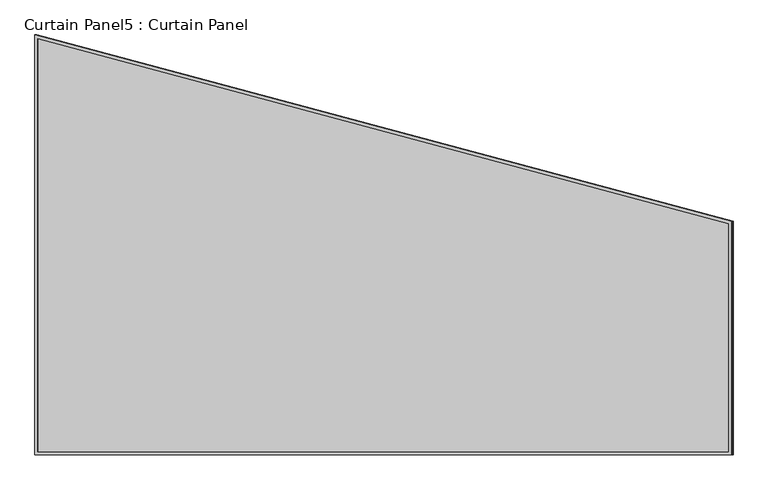
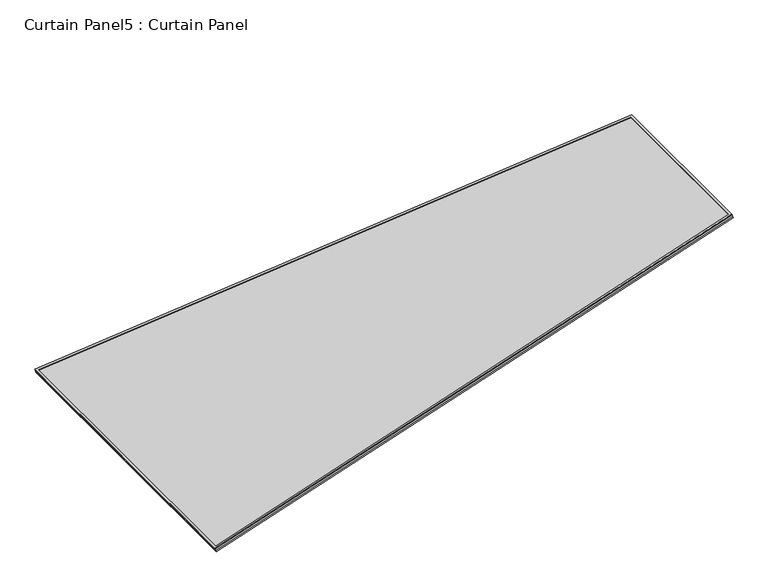
"""IFC4 building model written with IfcOpenShell, lengths in millimetres: plate geometry, Curtain Panel5 : Curtain Panel."""

from ifc_helpers import new_model, si_unit, frame, origin, place, context, project, spatial, polyline, outline, extrude, source, transform, mapped, element, save


def curtain_panel5_curtain_panel_e7bee72a(model_context):
    return source(origin(), model_context, "Body", "SweptSolid", [
        extrude(outline(polyline([(903.4000632, -2842.288964), (-722.5275943, -2842.288964), (0.0, 0.0), (903.4000632, 0.0), (903.4000632, -2842.288964)]), holes=[polyline([(892.0836089, -11.3164543), (8.7996567, -11.3164543), (-707.9745109, -2830.9725096), (892.0836089, -2830.9725096), (892.0836089, -11.3164543)])]), frame((5603.6429493, 3112.5988338, 889.3498889), z_axis=(-0.31614582397379676, 0.0, 0.9487106081329171), x_axis=(0.0, -1.0, 0.0)), (0.0, 0.0, 1.0), 4.9071015),
        extrude(outline(polyline([(903.4000632, -2842.288964), (-722.5275943, -2842.288964), (0.0, 0.0), (903.4000632, 0.0), (903.4000632, -2842.288964)]), holes=[polyline([(892.0836089, -11.3164543), (8.7996567, -11.3164543), (-707.9745109, -2830.9725096), (892.0836089, -2830.9725096), (892.0836089, -11.3164543)])]), frame((5609.1918314, 3112.5988338, 872.6984486), z_axis=(-0.31614582397381064, 0.0, 0.9487106081329124), x_axis=(0.0, -1.0, 0.0)), (0.0, 0.0, 1.0), 4.7896951),
        extrude(outline(polyline([(12.7, 0.0), (1638.6276575, 0.0), (916.1000632, -2842.288964), (12.7, -2842.288964), (12.7, 0.0)])), frame((2911.1678978, 2196.4987706, -21.3353033), z_axis=(-0.3161458239738053, 0.0, 0.9487106081329142), x_axis=(0.0, 1.0, 0.0)), (0.0, 0.0, 1.0), 12.7619588),
    ])


if __name__ == "__main__":
    model = new_model("IFC4")
    model_context = context("Model", 3, world=origin())
    ifc_project = project(units=[si_unit("LENGTHUNIT", "METRE", prefix="MILLI")], contexts=[model_context])
    site = spatial("IfcSite", under=ifc_project)
    building = spatial("IfcBuilding", under=site)
    placement = place(None, origin())
    curtain_panel5_curtain_panel_shape = curtain_panel5_curtain_panel_e7bee72a(model_context)
    element("IfcPlate", 1, ObjectType="Curtain Panel5 : Curtain Panel", at=placement, inside=building, context=model_context, shape_type="MappedRepresentation", body=[
        mapped(curtain_panel5_curtain_panel_shape, transform((0.0, 0.0, 0.0), x_axis=(1.0, 0.0, 0.0), y_axis=(0.0, 1.0, 0.0), z_axis=(0.0, 0.0, 1.0))),
    ])
    save(model, "model.ifc")
